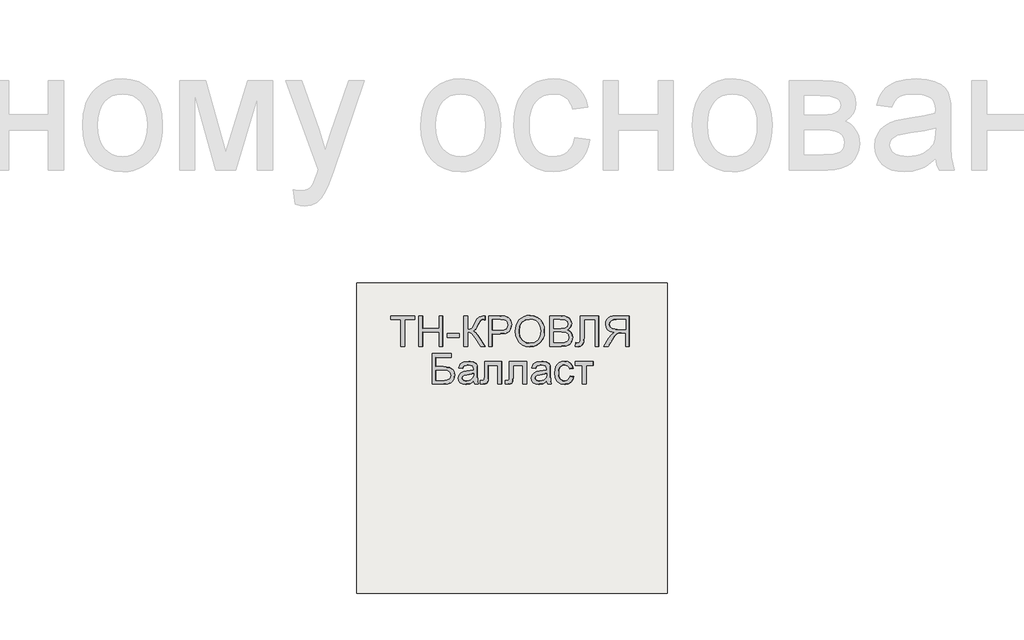
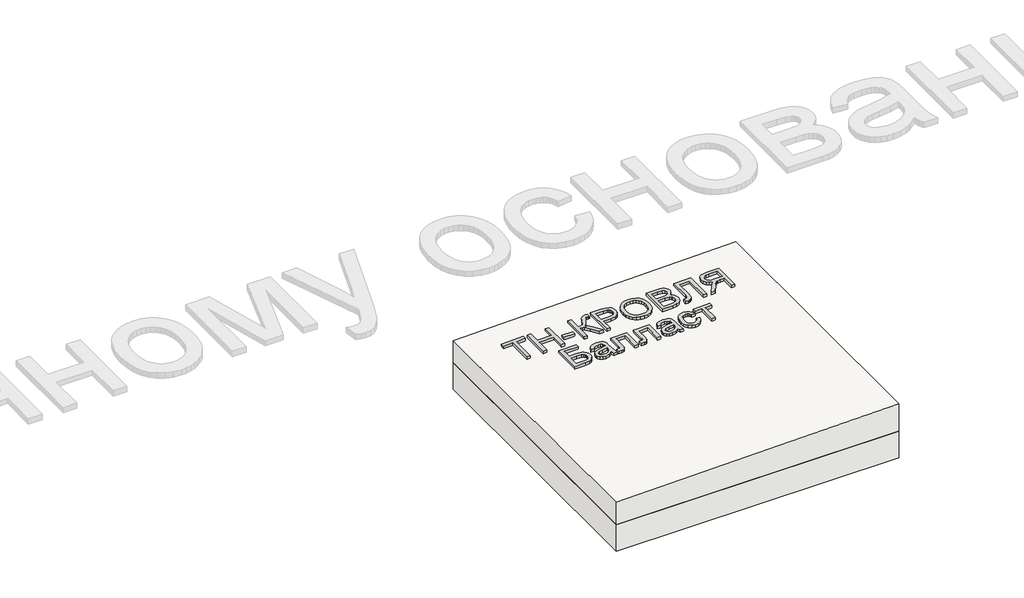
# One storey, part 1 of 2: 1 proxy, 1 roof, 1 slab.
"""IFC4 building model written with IfcOpenShell, lengths in millimetres."""

from ifc_helpers import new_model, si_unit, frame, origin, place, context, project, spatial, polyline, outline, extrude, element, save

model = new_model("IFC4")

# Units and contexts
model_context = context("Model", 3, world=origin())
ifc_project = project(units=[si_unit("LENGTHUNIT", "METRE", prefix="MILLI")], contexts=[model_context])

# Site, building, storey
site = spatial("IfcSite", under=ifc_project)
building = spatial("IfcBuilding", under=site)
storey = spatial("IfcBuildingStorey", under=building, Elevation=0.0)

# Proxy
placement = place(None, origin())
element("IfcBuildingElementProxy", 1, Name="Generic Models", at=placement, inside=storey, context=model_context, shape_type="SweptSolid", body=[
    extrude(outline(polyline([(24.6153846, 0.0), (24.6153846, -172.3076923), (89.2307692, -172.3076923), (89.2307692, -196.9230769), (-64.6153846, -196.9230769), (-64.6153846, -172.3076923), (0.0, -172.3076923), (0.0, 0.0), (24.6153846, 0.0)])), frame((13014.8196288, -4710.2316754, 171.1684807), z_axis=(-0.019996001199563986, 0.0, 0.9998000599800078), x_axis=(-0.9998000599800078, 0.0, -0.019996001199563986)), (0.0, 0.0, 1.0), 20.0),
    extrude(outline(polyline([(24.6153847, 0.0), (24.6153847, -196.9230769), (0.0, -196.9230769), (0.0, -116.9230769), (-104.6153846, -116.9230769), (-104.6153846, -196.9230769), (-129.2307692, -196.9230769), (-129.2307692, 0.0), (-104.6153846, 0.0), (-104.6153846, -92.3076923), (0.0, -92.3076923), (0.0, 0.0), (24.6153847, 0.0)])), frame((13131.7193282, -4710.2316754, 173.5064747), z_axis=(-0.019996001199563986, 0.0, 0.9998000599800078), x_axis=(-0.9998000599800078, 0.0, -0.019996001199563986)), (0.0, 0.0, 1.0), 20.0),
    extrude(outline(polyline([(76.9230769, 0.0), (76.9230769, -24.6153846), (0.0, -24.6153846), (0.0, 0.0), (76.9230769, 0.0)])), frame((13365.5187268, -4651.7701369, 178.1824626), z_axis=(-0.01999600119956399, 0.0, 0.9998000599800078), x_axis=(-0.9998000599800078, 0.0, -0.01999600119956399)), (0.0, 0.0, 1.0), 20.0),
    extrude(outline(polyline([(196.9230769, 0.0), (196.9230769, -24.6153846), (110.7692308, -24.6153846), (112.3978365, -41.280048), (117.2836538, -52.1394231), (128.7800481, -60.9194711), (150.2403846, -71.3461539), (177.7644231, -84.9278846), (191.3942308, -100.3125), (196.9230769, -122.3076923), (196.6346154, -138.4615384), (172.0192308, -138.4615384), (172.1634615, -133.0288461), (172.3076923, -127.5961538), (170.8293269, -116.3221153), (166.3942308, -108.3653846), (141.0576923, -93.75), (110.1923077, -76.3221153), (100.0, -59.326923), (88.8701923, -78.3293269), (65.6730769, -97.0673076), (0.0, -138.4615384), (0.0, -109.9038461), (55.4807692, -74.9038461), (84.4471154, -50.2644231), (90.3425481, -38.8882211), (92.3076923, -24.6153846), (0.0, -24.6153846), (0.0, 0.0), (196.9230769, 0.0)])), frame((13396.2818056, -4710.2316754, 178.7977242), z_axis=(-0.019996001199563986, 0.0, 0.9998000599800078), x_axis=(0.0, 1.0, 0.0)), (0.0, 0.0, 1.0), 20.0),
    extrude(outline(polyline([(24.6153846, 0.0), (24.6153846, -196.9230769), (-48.3653846, -196.9230769), (-77.7884615, -195.0480769), (-101.7067307, -185.8413461), (-110.4026442, -177.6802885), (-117.2115385, -166.8028846), (-123.0769231, -139.9519231), (-119.1165865, -116.7427885), (-107.2355769, -97.4038461), (-97.7208533, -89.7896635), (-85.0180288, -84.3509615), (-50.0480769, -80.0), (0.0, -80.0), (0.0, 0.0), (24.6153846, 0.0)]), holes=[polyline([(0.0, -104.6153846), (-51.4903846, -104.6153846), (-73.3173077, -106.875), (-87.7403846, -113.6538461), (-95.78125, -124.53125), (-98.4615384, -139.0865385), (-96.8810096, -150.1442308), (-92.1394231, -159.4711538), (-84.8257212, -166.4903846), (-75.5288461, -170.625), (-50.9134615, -172.3076923), (0.0, -172.3076923), (0.0, -104.6153846)])]), frame((13580.8602782, -4710.2316754, 182.4892937), z_axis=(-0.019996001199563986, 0.0, 0.9998000599800078), x_axis=(-0.9998000599800078, 0.0, -0.019996001199563986)), (0.0, 0.0, 1.0), 20.0),
    extrude(outline(polyline([(25.3428445, -1e-07), (48.1160484, -4.1938573), (67.8912361, -11.3545774), (84.6684074, -21.48216), (98.4475626, -34.5766053), (108.9049086, -49.9093782), (115.7166524, -66.7519435), (118.8827941, -85.1043011), (118.4033337, -104.9664512), (112.3116986, -130.2760814), (100.0658902, -152.2136344), (82.4868293, -169.6009171), (60.3954366, -181.2597367), (34.812491, -187.0380148), (6.7587717, -186.783673), (-21.0136463, -180.6528553), (-44.9882084, -168.8870738), (-63.9421569, -152.1247695), (-76.6527338, -131.0043835), (-83.1347827, -107.1750808), (-83.4031474, -82.2860261), (-77.1659621, -56.5935493), (-64.600884, -34.5586152), (-46.7404789, -17.2511253), (-24.6173127, -5.740981), (0.0, 0.0), (25.3428445, -1e-07)]), holes=[polyline([(22.3721769, -24.4366545), (-8.7890431, -25.9094148), (-33.7562618, -37.9787803), (-50.9832576, -58.3865327), (-58.9238091, -84.8744542), (-57.0179297, -112.8610055), (-44.5775814, -136.6179286), (-34.5460353, -146.3414542), (-22.1589798, -153.8699217), (9.6816594, -162.341683), (31.570013, -162.6815636), (50.9840871, -158.5364568), (67.4340475, -150.0149318), (80.43006, -137.2255582), (89.4380632, -121.0520254), (93.9239955, -102.3780232), (92.2935561, -75.5530128), (81.0850249, -51.6494365), (71.4163804, -41.5325654), (58.4080243, -33.6248114), (22.3721769, -24.4366545)])]), frame((13731.3349939, -4639.5525889, 185.498788), z_axis=(-0.01999600119956399, 0.0, 0.9998000599800078), x_axis=(-0.11095588221402986, 0.9938228553011785, -0.002219117644276566)), (0.0, 0.0, 1.0), 20.0),
    extrude(outline(polyline([(74.5673077, 0.0), (74.5673077, -196.9230769), (-0.5769231, -196.9230769), (-21.2439904, -195.4747596), (-37.3798077, -191.1298077), (-49.7475961, -183.7800481), (-59.110577, -173.3173077), (-65.0060096, -161.0096154), (-66.9711538, -148.125), (-65.3185096, -136.2680288), (-60.3605769, -125.1201923), (-52.061298, -115.3665865), (-40.3846154, -107.6923077), (-54.3329327, -100.4086538), (-64.6394231, -89.3269231), (-71.0036058, -75.1802885), (-73.125, -58.7019231), (-67.3317308, -32.2355769), (-52.9807693, -13.3894231), (-31.5625, -3.3894231), (0.0, 0.0), (74.5673077, 0.0)]), holes=[polyline([(49.9519231, -116.9230769), (5.0, -116.9230769), (-21.25, -119.0384615), (-37.0432692, -128.1490385), (-42.3557692, -144.1826923), (-37.4038461, -160.2403846), (-23.2211538, -169.7355769), (8.4134615, -172.3076923), (49.9519231, -172.3076923), (49.9519231, -116.9230769)]), polyline([(49.9519231, -24.6153846), (-0.5288461, -24.6153846), (-18.7980769, -25.5769231), (-34.2548077, -30.9375), (-44.4951923, -41.875), (-48.5096154, -58.4615385), (-43.7980769, -77.5961538), (-37.6262019, -84.5132211), (-28.5336538, -89.0144231), (1.875, -92.3076923), (49.9519231, -92.3076923), (49.9519231, -24.6153846)])]), frame((14024.5696221, -4710.2316754, 191.3634805), z_axis=(-0.019996001199563986, 0.0, 0.9998000599800078), x_axis=(-0.9998000599800078, 0.0, -0.019996001199563986)), (0.0, 0.0, 1.0), 20.0),
    extrude(outline(polyline([(137.6442308, 0.0), (137.6442308, -120.0), (-59.2788461, -120.0), (-59.2788461, -95.3846154), (113.0288462, -95.3846154), (113.0288462, -24.6153846), (12.548077, -24.6153846), (-32.2836538, -21.7548078), (-44.951923, -17.3257212), (-54.4471153, -9.7596154), (-60.3786057, 0.6009616), (-62.3557692, 13.4134615), (-59.2788461, 33.8461538), (-34.6634615, 30.7692307), (-37.7403846, 18.9903846), (-36.0877403, 10.6670673), (-31.1298076, 4.7355769), (-20.0420673, 1.1838942), (0.0, 0.0), (137.6442308, 0.0)])), frame((14146.9009275, -4650.9528293, 193.8101066), z_axis=(-0.019996001199563986, 0.0, 0.9998000599800078), x_axis=(0.0, 1.0, 0.0)), (0.0, 0.0, 1.0), 20.0),
    extrude(outline(polyline([(24.6153846, -110.7692308), (0.0, -110.7692308), (0.0, -24.6153847), (-29.7115384, -24.6153847), (-43.9903846, -25.4807693), (-55.6971154, -30.1682693), (-68.7019231, -42.9326923), (-87.2115385, -69.9519231), (-112.8365384, -110.7692308), (-141.4423077, -110.7692308), (-108.6057692, -57.4038462), (-88.6538462, -32.0673077), (-74.6634615, -21.5384616), (-98.9122596, -15.0120193), (-115.889423, -3.2211539), (-125.8954326, 12.8605769), (-129.2307692, 32.2596153), (-127.2175481, 47.8545673), (-121.1778846, 62.0432692), (-111.7668269, 73.4855769), (-99.639423, 80.8413461), (-83.046875, 84.8257211), (-60.2403846, 86.1538461), (24.6153846, 86.1538461), (24.6153846, -110.7692308)]), holes=[polyline([(0.0, 0.0), (0.0, 61.5384615), (-61.2980769, 61.5384615), (-80.7752404, 59.4110577), (-94.2067308, 53.0288461), (-102.0132211, 43.3533653), (-104.6153846, 31.3461538), (-99.1586538, 14.639423), (-83.1971153, 3.4855769), (-55.0961538, 0.0), (0.0, 0.0)])]), frame((14439.1501758, -4599.4624446, 199.6550916), z_axis=(-0.01999600119956399, 0.0, 0.9998000599800078), x_axis=(0.9998000599800078, 0.0, 0.01999600119956399)), (0.0, 0.0, 1.0), 20.0),
    extrude(outline(polyline([(196.9230769, 0.0), (196.9230769, -123.076923), (172.3076923, -123.076923), (172.3076923, -24.6153846), (113.8461539, -24.6153846), (113.8461539, -70.7211538), (108.8461539, -111.3461538), (101.6225962, -124.9399038), (89.9519231, -135.5288461), (74.9278846, -142.3437499), (57.6442308, -144.6153846), (43.1310096, -142.998798), (29.5913462, -138.1490384), (17.734375, -130.0901442), (8.2692308, -118.8461538), (2.0673077, -101.5024038), (0.0, -75.1442307), (0.0, 0.0), (196.9230769, 0.0)]), holes=[polyline([(24.6153846, -24.6153846), (24.6153846, -77.3557692), (26.6466346, -95.9975961), (32.7403846, -109.326923), (42.8966346, -117.3317307), (57.1153846, -120.0), (67.7043269, -118.4735576), (76.3942308, -113.8942307), (82.8365385, -106.592548), (86.6826923, -96.8990384), (89.2307692, -59.8076923), (89.2307692, -24.6153846), (24.6153846, -24.6153846)])]), frame((13191.7073318, -4953.3085985, 174.7062347), z_axis=(-0.019996001199563986, 0.0, 0.9998000599800078), x_axis=(0.0, 1.0, 0.0)), (0.0, 0.0, 1.0), 20.0),
    extrude(outline(polyline([(19.4601703, 0.0), (11.1819963, 27.9207833), (14.9143961, 54.4732734), (24.1902839, 73.0649574), (37.3011934, 84.6897486), (52.8826325, 89.3590492), (69.5701086, 87.0842617), (86.5521477, 76.4571844), (96.0465823, 60.2429097), (98.2586564, 41.3376585), (95.0355657, 19.9618777), (89.5623928, -23.2153749), (94.7162973, -25.0853756), (105.6740455, -26.9515756), (114.1004512, -24.401229), (122.7587066, -15.3020791), (129.4557417, -0.8361792), (132.8384667, 24.2872046), (128.8153045, 32.9891694), (120.6530554, 40.8663574), (131.3561489, 63.2455532), (150.7935143, 45.5413592), (155.5977439, 34.3745663), (157.376525, 20.7448455), (151.8045309, -11.6304924), (138.2204199, -38.5478606), (122.4698447, -51.0601419), (104.2335367, -52.9377443), (83.4202766, -47.2669291), (54.3668506, -37.5824538), (13.4016719, -25.2450098), (-7.7840681, -23.3522042), (0.0, 0.0), (19.4601703, 0.0)]), holes=[polyline([(66.1645788, -15.5681361), (71.5617354, 24.4924486), (74.4731593, 45.8454244), (71.3488898, 56.9970142), (63.4279923, 63.1847402), (55.9042801, 63.7605636), (48.4755881, 60.4405521), (41.8184615, 53.1258846), (36.6094453, 41.7177399), (33.8253486, 28.7094523), (34.3213549, 16.2294779), (42.7667647, -3.5119526), (59.5967713, -13.2268344), (66.1645788, -15.5681361)])]), frame((13465.4987328, -4953.3085985, 180.1820628), z_axis=(-0.01999600119956399, 0.0, 0.9998000599800079), x_axis=(-0.3161645394309778, 0.9486832980505141, -0.006323290788608101)), (0.0, 0.0, 1.0), 20.0),
    extrude(outline(polyline([(92.2115384, 0.0), (92.2115384, -110.7692308), (-52.2596154, -110.7692308), (-52.2596154, -86.1538462), (67.5961538, -86.1538462), (67.5961538, -24.6153846), (-1.3942308, -24.6153846), (-33.2211539, -22.9567308), (-46.6586539, -13.8461539), (-50.9675481, -4.7355769), (-52.4038462, 7.6923077), (-51.1538462, 27.6923077), (-27.7884616, 27.6923077), (-27.7884616, 16.6826923), (-26.2740385, 5.5528846), (-21.4663462, 1.1057692), (0.0, 0.0), (92.2115384, 0.0)])), frame((13530.1011982, -4900.9047523, 181.4741121), z_axis=(-0.019996001199563986, 0.0, 0.9998000599800078), x_axis=(0.0, 1.0, 0.0)), (0.0, 0.0, 1.0), 20.0),
    extrude(outline(polyline([(92.2115384, 0.0), (92.2115384, -110.7692308), (-52.2596154, -110.7692308), (-52.2596154, -86.1538462), (67.5961538, -86.1538462), (67.5961538, -24.6153846), (-1.3942308, -24.6153846), (-33.2211539, -22.9567308), (-46.6586539, -13.8461539), (-50.9675481, -4.7355769), (-52.4038462, 7.6923077), (-51.1538462, 27.6923077), (-27.7884616, 27.6923077), (-27.7884616, 16.6826923), (-26.2740385, 5.5528846), (-21.4663462, 1.1057692), (0.0, 0.0), (92.2115384, 0.0)])), frame((13690.0692078, -4900.9047523, 184.6734723), z_axis=(-0.019996001199563986, 0.0, 0.9998000599800078), x_axis=(0.0, 1.0, 0.0)), (0.0, 0.0, 1.0), 20.0),
    extrude(outline(polyline([(19.4601703, 0.0), (11.1819963, 27.9207833), (14.9143961, 54.4732734), (24.1902839, 73.0649575), (37.3011935, 84.6897487), (52.8826325, 89.3590493), (69.5701086, 87.0842618), (86.5521477, 76.4571844), (96.0465823, 60.2429097), (98.2586564, 41.3376585), (95.0355657, 19.9618777), (89.5623928, -23.2153749), (94.7162973, -25.0853756), (105.6740455, -26.9515756), (114.1004512, -24.401229), (122.7587066, -15.3020791), (129.4557418, -0.8361791), (132.8384667, 24.2872047), (128.8153045, 32.9891694), (120.6530554, 40.8663575), (131.356149, 63.2455533), (150.7935144, 45.5413593), (155.5977439, 34.3745663), (157.376525, 20.7448456), (151.804531, -11.6304923), (138.22042, -38.5478605), (122.4698447, -51.0601419), (104.2335367, -52.9377443), (83.4202766, -47.266929), (54.3668506, -37.5824537), (13.4016719, -25.2450098), (-7.7840681, -23.3522042), (0.0, 0.0), (19.4601703, 0.0)]), holes=[polyline([(66.1645788, -15.5681361), (71.5617354, 24.4924486), (74.4731593, 45.8454244), (71.3488898, 56.9970142), (63.4279923, 63.1847402), (55.9042801, 63.7605636), (48.4755881, 60.4405522), (41.8184616, 53.1258847), (36.6094453, 41.7177399), (33.8253486, 28.7094523), (34.3213549, 16.2294779), (42.7667647, -3.5119525), (59.5967713, -13.2268344), (66.1645788, -15.5681361)])]), frame((13936.173838, -4953.3085985, 189.5955649), z_axis=(-0.01999600119956399, 0.0, 0.9998000599800079), x_axis=(-0.3161645394309778, 0.9486832980505141, -0.006323290788608102)), (0.0, 0.0, 1.0), 20.0),
    extrude(outline(polyline([(14.2739448, 0.0), (18.5774163, -24.4308156), (-4.3658123, -24.3147239), (-23.9730045, -16.8581343), (-39.1287659, -2.9877766), (-48.7177025, 16.3696196), (-51.7999354, 42.8176799), (-43.9550055, 66.6568587), (-25.3354265, 86.2178676), (3.9062883, 99.8314183), (25.3948449, 104.4802097), (45.1992054, 104.6740484), (62.645194, 100.1110145), (77.0586345, 90.4891882), (88.0614871, 77.0566736), (95.2757119, 61.0615744), (98.5250521, 40.2990925), (94.8035117, 21.753999), (84.4149332, 6.0732076), (67.6631596, -6.0963687), (57.4783634, 16.5234133), (66.4279038, 23.9512855), (71.7390475, 32.8620536), (73.5020103, 42.8810605), (71.8070078, 53.6336492), (64.2193556, 67.9417387), (51.7849492, 77.3240769), (34.3582431, 80.5788394), (11.793692, 76.5042013), (-9.4649736, 67.1472583), (-22.146962, 54.8097826), (-27.1652793, 40.2921826), (-25.4329315, 24.3948669), (-19.8783046, 12.7682798), (-11.392372, 4.4463754), (0.0, 0.0), (14.2739448, 0.0)])), frame((14076.5604269, -4914.6427331, 192.4032966), z_axis=(-0.01999600119956399, 0.0, 0.9998000599800079), x_axis=(0.29423409729300326, 0.9557152643484187, 0.005884681945849437)), (0.0, 0.0, 1.0), 20.0),
    extrude(outline(polyline([(24.6153846, 0.0), (24.6153846, -116.9230769), (0.0, -116.9230769), (0.0, -70.7692308), (-120.0, -70.7692308), (-120.0, -46.1538462), (0.0, -46.1538462), (0.0, 0.0), (24.6153846, 0.0)])), frame((14114.5996948, -4833.3085985, 193.164082), z_axis=(-0.019996001199563986, 0.0, 0.9998000599800078), x_axis=(0.0, 1.0, 0.0)), (0.0, 0.0, 1.0), 20.0),
])

# Roof
element("IfcRoof", 2, at=placement, inside=storey, context=model_context, shape_type="SweptSolid", body=[
    extrude(outline(polyline([(165.0, 12706.3955952), (0.0, 12706.3955952), (0.0, 14706.3955952), (205.0, 14706.3955952), (165.0, 12706.3955952)])), frame((0.0, -6302.6148653, 0.0), z_axis=(0.0, 1.0, 0.0), x_axis=(0.0, 0.0, 1.0)), (0.0, 0.0, 1.0), 2000.0),
])

# Slab
element("IfcSlab", 3, at=placement, inside=storey, context=model_context, shape_type="SweptSolid", body=[
    extrude(outline(polyline([(14706.3955952, -6302.6148653), (12706.3955952, -6302.6148653), (12706.3955952, -4302.6148653), (14706.3955952, -4302.6148653), (14706.3955952, -6302.6148653)])), frame((0.0, 0.0, -200.0), z_axis=(0.0, 0.0, 1.0), x_axis=(1.0, 0.0, 0.0)), (0.0, 0.0, 1.0), 200.0),
])

save(model, "model.ifc")
